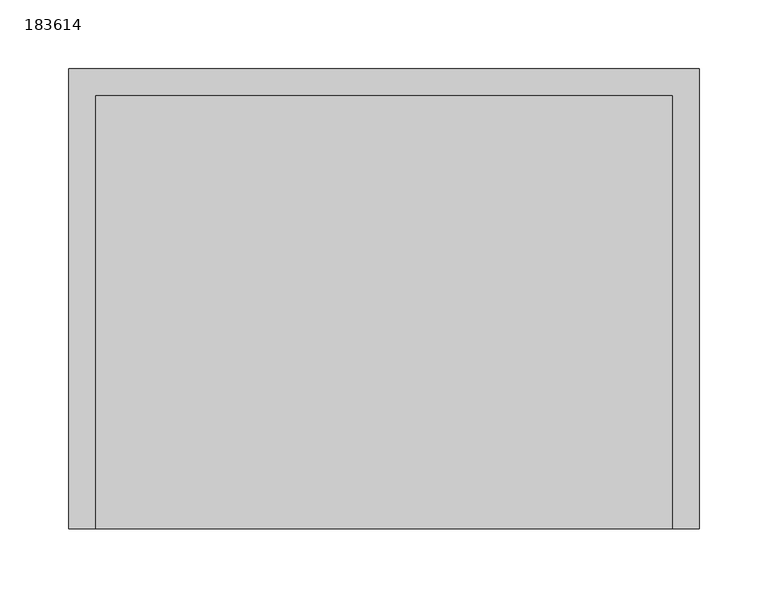
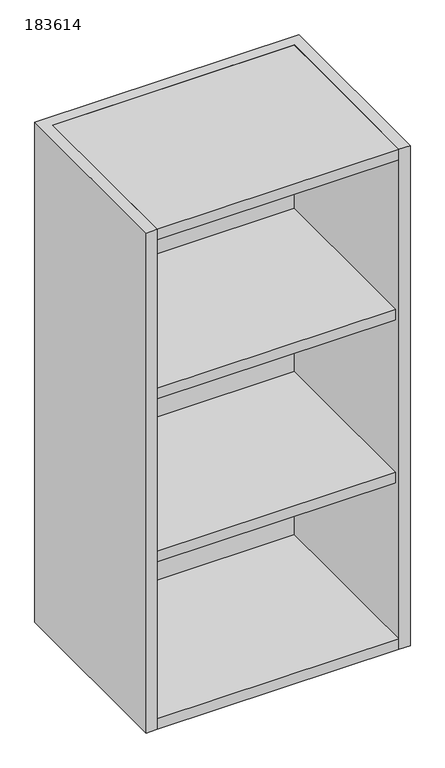
"""IFC4 building model written with IfcOpenShell, lengths in millimetres: furniture geometry, 183614."""

from ifc_helpers import new_model, si_unit, frame, origin, place, context, project, spatial, polyline, outline, extrude, source, transform, mapped, element, save


def furniture_183614_4f32cbb7(model_context):
    return source(origin(), model_context, "Body", "SweptSolid", [
        extrude(outline(polyline([(209.4, -409.8), (209.4, -95.4), (-209.4, -95.4), (-209.4, -409.8), (-228.6, -409.8), (-228.6, -76.2), (228.6, -76.2), (228.6, -409.8), (209.4, -409.8)])), frame((0.0, 0.0, 1219.2), z_axis=(0.0, 0.0, 1.0), x_axis=(1.0, 0.0, 0.0)), (0.0, 0.0, 1.0), 914.4),
        extrude(outline(polyline([(209.4, -95.4), (209.4, -399.8), (-209.4, -399.8), (-209.4, -95.4), (209.4, -95.4)])), frame((0.0, 0.0, 1816.0), z_axis=(0.0, 0.0, 1.0), x_axis=(1.0, 0.0, 0.0)), (0.0, 0.0, 1.0), 19.2),
        extrude(outline(polyline([(209.4, -95.4), (209.4, -399.8), (-209.4, -399.8), (-209.4, -95.4), (209.4, -95.4)])), frame((0.0, 0.0, 1517.6), z_axis=(0.0, 0.0, 1.0), x_axis=(1.0, 0.0, 0.0)), (0.0, 0.0, 1.0), 19.2),
        extrude(outline(polyline([(209.4, -409.8), (-209.4, -409.8), (-209.4, -95.4), (209.4, -95.4), (209.4, -409.8)])), frame((0.0, 0.0, 2114.4), z_axis=(0.0, 0.0, 1.0), x_axis=(1.0, 0.0, 0.0)), (0.0, 0.0, 1.0), 19.2),
        extrude(outline(polyline([(209.4, -409.8), (-209.4, -409.8), (-209.4, -95.4), (209.4, -95.4), (209.4, -409.8)])), frame((0.0, 0.0, 1219.2), z_axis=(0.0, 0.0, 1.0), x_axis=(1.0, 0.0, 0.0)), (0.0, 0.0, 1.0), 19.2),
    ])


if __name__ == "__main__":
    model = new_model("IFC4")
    model_context = context("Model", 3, world=origin())
    ifc_project = project(units=[si_unit("LENGTHUNIT", "METRE", prefix="MILLI")], contexts=[model_context])
    site = spatial("IfcSite", under=ifc_project)
    building = spatial("IfcBuilding", under=site)
    placement = place(None, origin())
    furniture_183614_shape = furniture_183614_4f32cbb7(model_context)
    element("IfcFurniture", 1, ObjectType="183614", at=placement, inside=building, context=model_context, shape_type="MappedRepresentation", body=[
        mapped(furniture_183614_shape, transform((0.0, 0.0, 0.0), x_axis=(1.0, 0.0, 0.0), y_axis=(0.0, 1.0, 0.0), z_axis=(0.0, 0.0, 1.0))),
    ])
    save(model, "model.ifc")
